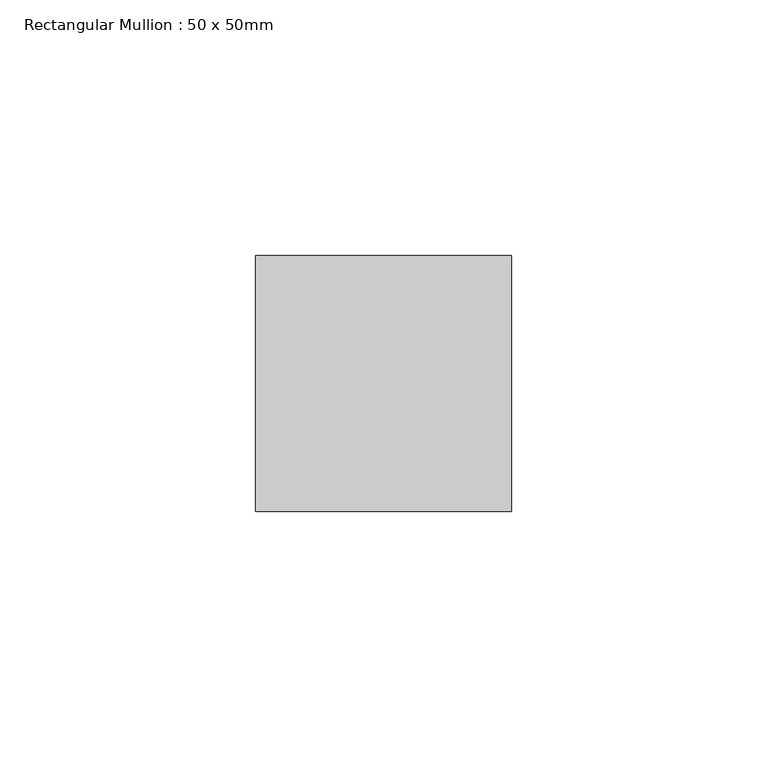
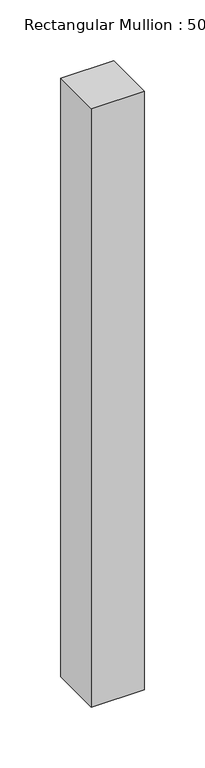
"""IFC4 building model written with IfcOpenShell, lengths in millimetres: member geometry, Rectangular Mullion : 50 x 50mm."""

from ifc_helpers import new_model, si_unit, frame, origin, place, context, project, spatial, polyline, outline, extrude, source, transform, mapped, element, save


def rectangular_mullion_50_x_50mm_95fac51e(model_context):
    return source(origin(), model_context, "Body", "SweptSolid", [
        extrude(outline(polyline([(0.0, 50.0), (0.0, 0.0), (-50.0, 0.0), (-50.0, 50.0), (0.0, 50.0)])), frame((0.0, 0.0, -600.0), z_axis=(0.0, 0.0, 1.0), x_axis=(1.0, 0.0, 0.0)), (0.0, 0.0, 1.0), 600.0),
    ])


if __name__ == "__main__":
    model = new_model("IFC4")
    model_context = context("Model", 3, world=origin())
    ifc_project = project(units=[si_unit("LENGTHUNIT", "METRE", prefix="MILLI")], contexts=[model_context])
    site = spatial("IfcSite", under=ifc_project)
    building = spatial("IfcBuilding", under=site)
    placement = place(None, origin())
    rectangular_mullion_50_x_50mm_shape = rectangular_mullion_50_x_50mm_95fac51e(model_context)
    element("IfcMember", 1, ObjectType="Rectangular Mullion : 50 x 50mm", at=placement, inside=building, context=model_context, shape_type="MappedRepresentation", body=[
        mapped(rectangular_mullion_50_x_50mm_shape, transform((0.0, 0.0, 0.0), x_axis=(1.0, 0.0, 0.0), y_axis=(0.0, 1.0, 0.0), z_axis=(0.0, 0.0, 1.0))),
    ])
    save(model, "model.ifc")
